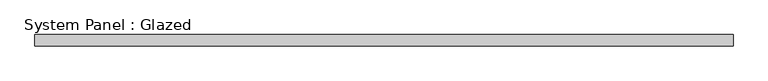
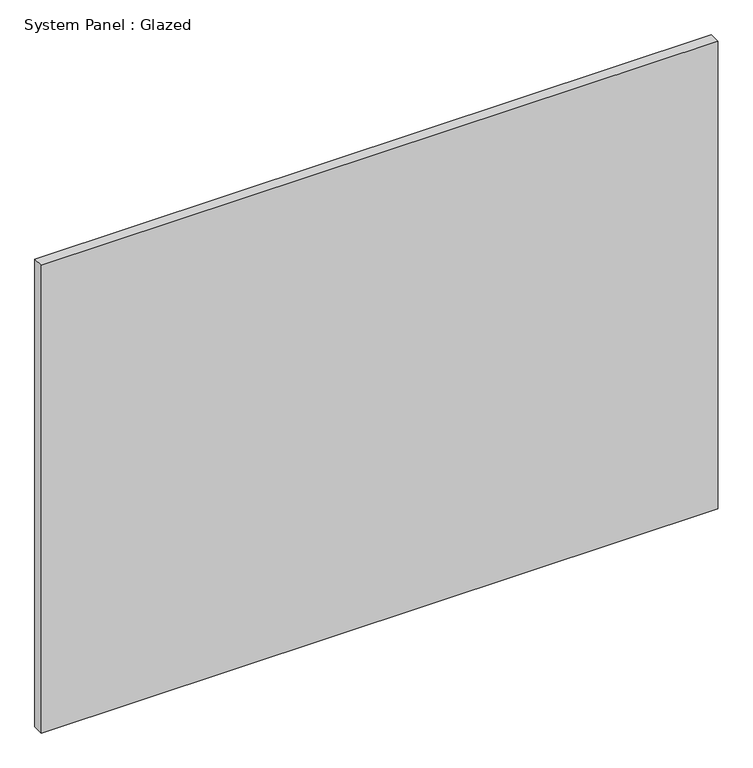
"""IFC4 building model written with IfcOpenShell, lengths in millimetres: plate geometry, System Panel : Glazed."""

from ifc_helpers import new_model, si_unit, origin, origin_with_axes, place, context, project, spatial, polyline, outline, extrude, source, transform, mapped, element, save


def system_panel_glazed_69a8d95c(model_context):
    return source(origin(), model_context, "Body", "SweptSolid", [
        extrude(outline(polyline([(782.32, -12.7), (-782.32, -12.7), (-782.32, 12.7), (782.32, 12.7), (782.32, -12.7)])), origin_with_axes(), (0.0, 0.0, 1.0), 1143.0),
    ])


if __name__ == "__main__":
    model = new_model("IFC4")
    model_context = context("Model", 3, world=origin())
    ifc_project = project(units=[si_unit("LENGTHUNIT", "METRE", prefix="MILLI")], contexts=[model_context])
    site = spatial("IfcSite", under=ifc_project)
    building = spatial("IfcBuilding", under=site)
    placement = place(None, origin())
    system_panel_glazed_shape = system_panel_glazed_69a8d95c(model_context)
    element("IfcPlate", 1, ObjectType="System Panel : Glazed", at=placement, inside=building, context=model_context, shape_type="MappedRepresentation", body=[
        mapped(system_panel_glazed_shape, transform((0.0, 0.0, 0.0), x_axis=(1.0, 0.0, 0.0), y_axis=(0.0, 1.0, 0.0), z_axis=(0.0, 0.0, 1.0))),
    ])
    save(model, "model.ifc")
